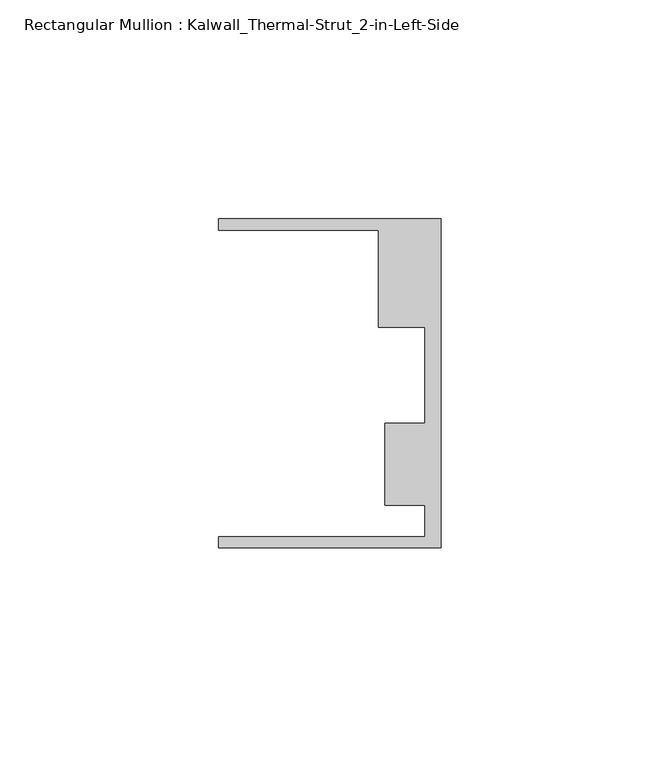
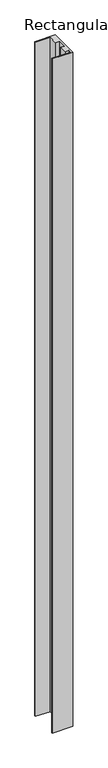
"""IFC4 building model written with IfcOpenShell, lengths in millimetres: member geometry, Rectangular Mullion : Kalwall_Thermal-Strut_2-in-Left-Side."""

from ifc_helpers import new_model, si_unit, frame, origin, place, context, project, spatial, polyline, outline, extrude, source, transform, mapped, element, save


def rectangular_mullion_kalwall_thermal_strut_2_in_left_side_775f3430(model_context):
    return source(origin(), model_context, "Body", "SweptSolid", [
        extrude(outline(polyline([(0.0, -37.5776386), (-50.8, -37.5776386), (-50.8, -35.0376386), (-3.7084, -35.0376386), (-3.7084, -27.8888568), (-12.8272539, -27.8888568), (-12.8272539, -9.1879886), (-3.7084, -9.1879886), (-3.7084, 12.7373614), (-14.2875, 12.7373614), (-14.2875, 34.9623614), (-50.8, 34.9623614), (-50.8, 37.5023614), (0.0, 37.5023614), (0.0, -37.5776386)])), frame((0.0, 0.0, -1776.625), z_axis=(0.0, 0.0, 1.0), x_axis=(1.0, 0.0, 0.0)), (0.0, 0.0, 1.0), 1776.625),
    ])


if __name__ == "__main__":
    model = new_model("IFC4")
    model_context = context("Model", 3, world=origin())
    ifc_project = project(units=[si_unit("LENGTHUNIT", "METRE", prefix="MILLI")], contexts=[model_context])
    site = spatial("IfcSite", under=ifc_project)
    building = spatial("IfcBuilding", under=site)
    placement = place(None, origin())
    rectangular_mullion_kalwall_thermal_strut_2_in_left_side_shape = rectangular_mullion_kalwall_thermal_strut_2_in_left_side_775f3430(model_context)
    element("IfcMember", 1, ObjectType="Rectangular Mullion : Kalwall_Thermal-Strut_2-in-Left-Side", at=placement, inside=building, context=model_context, shape_type="MappedRepresentation", body=[
        mapped(rectangular_mullion_kalwall_thermal_strut_2_in_left_side_shape, transform((0.0, 0.0, 0.0), x_axis=(1.0, 0.0, 0.0), y_axis=(0.0, 1.0, 0.0), z_axis=(0.0, 0.0, 1.0))),
    ])
    save(model, "model.ifc")
